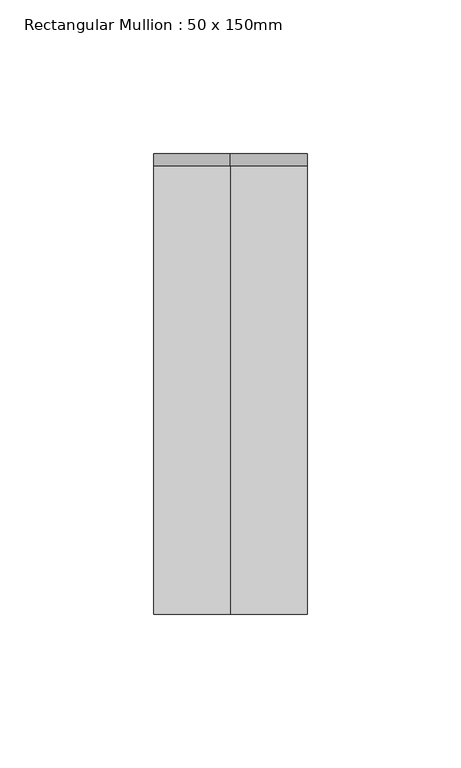
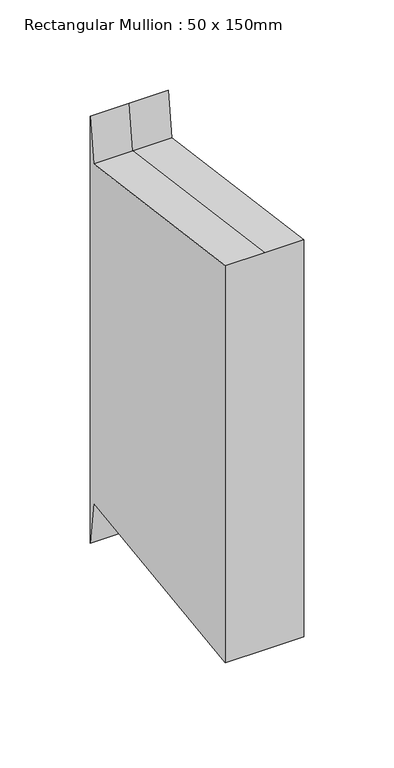
"""IFC4 building model written with IfcOpenShell, lengths in millimetres: member geometry, Rectangular Mullion : 50 x 150mm."""

from ifc_helpers import new_model, si_unit, origin, place, context, project, spatial, faceted_brep, source, transform, mapped, element, save


def rectangular_mullion_50_x_150mm_4536a4cc(model_context):
    return source(origin(), model_context, "Body", "Brep", [
        faceted_brep([(-25.0, 75.0, 20.0164197), (0.0, 75.0, 20.0164197), (25.0, 75.0, 20.0164197), (25.0, 75.0, -269.1706206), (0.0, 75.0, -269.1706206), (-25.0, 75.0, -269.1706206), (-25.0, -75.0, 9.7896196), (-25.0, 71.0328341, -9.7035513), (-25.0, 71.0328341, -239.4506495), (-25.0, -75.0, -258.9438204), (25.0, -75.0, 9.7896196), (0.0, -75.0, 9.7896196), (0.0, -75.0, -258.9438204), (25.0, -75.0, -258.9438204), (25.0, 71.0328341, -9.7035513), (25.0, 71.0328341, -239.4506495), (0.0, 71.0328341, -9.7035513), (0.0, 71.0328341, -239.4506495)], [[[0, 1, 2, 3, 4, 5]], [[6, 7, 0, 5, 8, 9]], [[10, 11, 6, 9, 12, 13]], [[2, 14, 10, 13, 15, 3]], [[2, 1, 16, 14]], [[1, 0, 7, 16]], [[7, 6, 11, 16]], [[11, 10, 14, 16]], [[3, 15, 17, 4]], [[15, 13, 12, 17]], [[12, 9, 8, 17]], [[8, 5, 4, 17]]]),
    ])


if __name__ == "__main__":
    model = new_model("IFC4")
    model_context = context("Model", 3, world=origin())
    ifc_project = project(units=[si_unit("LENGTHUNIT", "METRE", prefix="MILLI")], contexts=[model_context])
    site = spatial("IfcSite", under=ifc_project)
    building = spatial("IfcBuilding", under=site)
    placement = place(None, origin())
    rectangular_mullion_50_x_150mm_shape = rectangular_mullion_50_x_150mm_4536a4cc(model_context)
    element("IfcMember", 1, ObjectType="Rectangular Mullion : 50 x 150mm", at=placement, inside=building, context=model_context, shape_type="MappedRepresentation", body=[
        mapped(rectangular_mullion_50_x_150mm_shape, transform((0.0, 0.0, 0.0), x_axis=(1.0, 0.0, 0.0), y_axis=(0.0, 1.0, 0.0), z_axis=(0.0, 0.0, 1.0))),
    ])
    save(model, "model.ifc")
